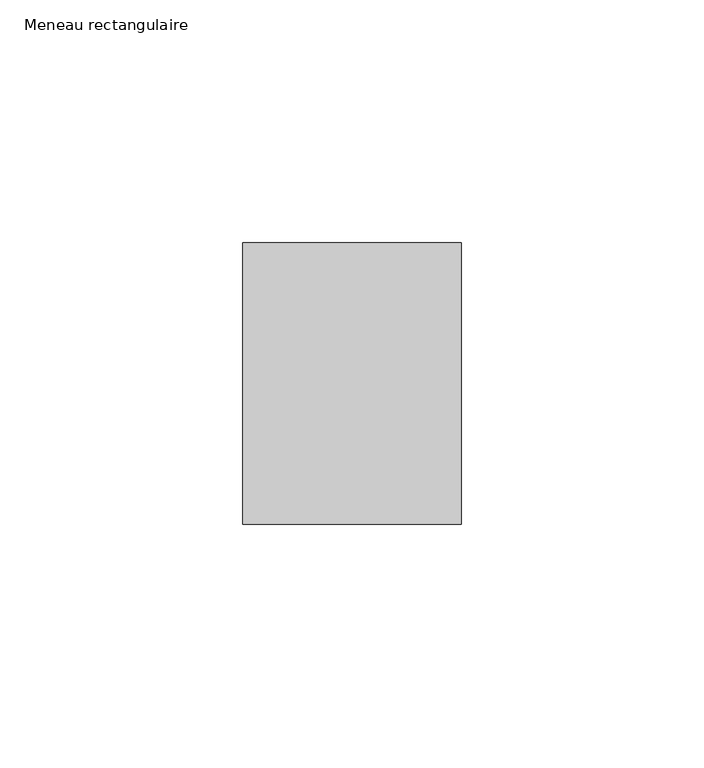
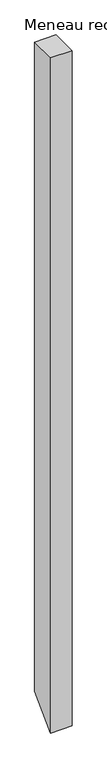
"""IFC4 building model written with IfcOpenShell, lengths in millimetres: member geometry, Meneau rectangulaire."""

from ifc_helpers import new_model, si_unit, frame, origin, place, context, project, spatial, polyline, outline, extrude, source, transform, mapped, element, save


def meneau_rectangulaire_92952bfd(model_context):
    return source(origin(), model_context, "Body", "SweptSolid", [
        extrude(outline(polyline([(-29.0, 0.0), (29.0, 0.0), (29.0, -1439.256074), (-29.0, -1497.256074), (-29.0, 0.0)])), frame((-45.0, 0.0, 0.0), z_axis=(1.0, 0.0, 0.0), x_axis=(0.0, 1.0, 0.0)), (0.0, 0.0, 1.0), 45.0),
    ])


if __name__ == "__main__":
    model = new_model("IFC4")
    model_context = context("Model", 3, world=origin())
    ifc_project = project(units=[si_unit("LENGTHUNIT", "METRE", prefix="MILLI")], contexts=[model_context])
    site = spatial("IfcSite", under=ifc_project)
    building = spatial("IfcBuilding", under=site)
    placement = place(None, origin())
    meneau_rectangulaire_shape = meneau_rectangulaire_92952bfd(model_context)
    element("IfcMember", 1, ObjectType="Meneau rectangulaire", at=placement, inside=building, context=model_context, shape_type="MappedRepresentation", body=[
        mapped(meneau_rectangulaire_shape, transform((0.0, 0.0, 0.0), x_axis=(1.0, 0.0, 0.0), y_axis=(0.0, 1.0, 0.0), z_axis=(0.0, 0.0, 1.0))),
    ])
    save(model, "model.ifc")
